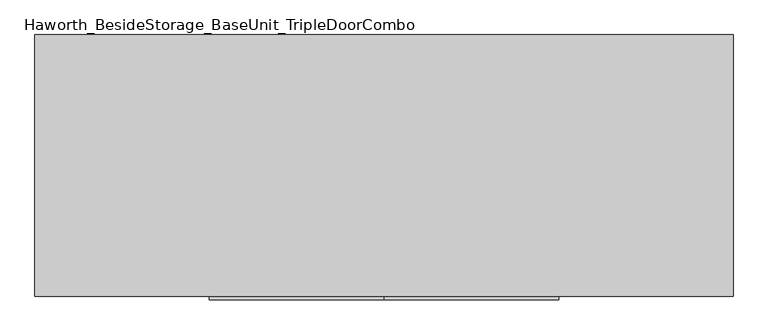
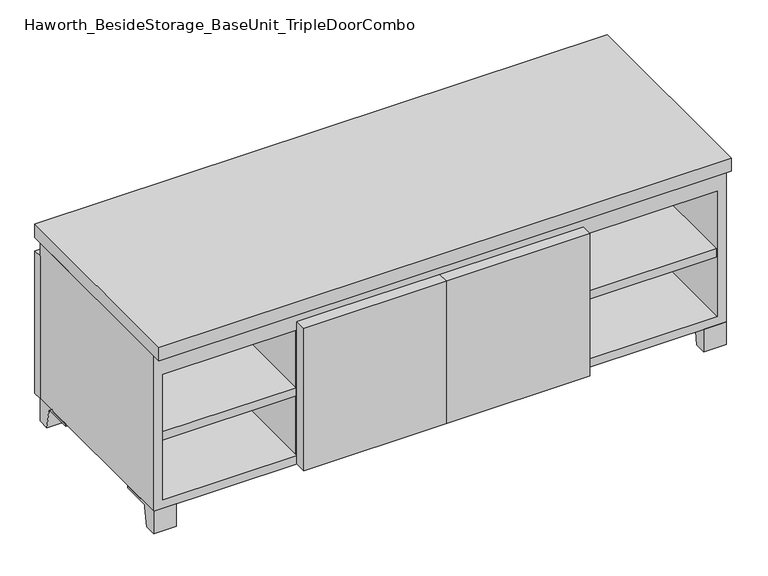
"""IFC4 building model written with IfcOpenShell, lengths in millimetres: furniture geometry, Haworth_BesideStorage_BaseUnit_TripleDoorCombo."""

from ifc_helpers import new_model, si_unit, point, frame, frame_2d, origin, place, context, project, spatial, polyline, circle_curve, trimmed, segment, composite_curve, outline, extrude, source, transform, mapped, element, save


def haworth_besidestorage_baseunit_tripledoorcombo_510d3d8d(model_context):
    return source(origin(), model_context, "Body", "SweptSolid", [
        extrude(outline(polyline([(304.8069453, 241.3), (590.5569453, 241.3), (590.5569453, -142.875), (304.8069453, -142.875), (304.8069453, 241.3)])), frame((0.0, 0.0, 201.6125), z_axis=(0.0, 0.0, 1.0), x_axis=(1.0, 0.0, 0.0)), (0.0, 0.0, 1.0), 19.05),
        extrude(outline(polyline([(-304.7791641, 241.3), (-304.7791641, -142.875), (-590.5291641, -142.875), (-590.5291641, 241.3), (-304.7791641, 241.3)])), frame((0.0, 0.0, 201.6125), z_axis=(0.0, 0.0, 1.0), x_axis=(1.0, 0.0, 0.0)), (0.0, 0.0, 1.0), 19.05),
        extrude(outline(polyline([(285.7638906, 241.3), (285.7638906, -142.875), (-285.7361094, -142.875), (-285.7361094, 241.3), (285.7638906, 241.3)])), frame((0.0, 0.0, 201.6125), z_axis=(0.0, 0.0, 1.0), x_axis=(1.0, 0.0, 0.0)), (0.0, 0.0, 1.0), 19.05),
        extrude(outline(polyline([(609.6138906, 292.1), (609.6138906, -165.1), (-609.5861094, -165.1), (-609.5861094, 292.1), (609.6138906, 292.1)])), frame((0.0, 0.0, 401.6375), z_axis=(0.0, 0.0, 1.0), x_axis=(1.0, 0.0, 0.0)), (0.0, 0.0, 1.0), 30.1625),
        extrude(outline(composite_curve([segment(polyline([(-120.6500136, 0.0), (-146.05, 0.0), (-146.05, 50.8), (-50.8, 50.8), (-50.8, 46.0213321), (-107.6005345, 46.0213321)]), True, "CONTINUOUS"), segment(trimmed(circle_curve(frame_2d((-107.6005345, 39.6713321)), 6.35), [point((-107.6005345, 46.0213321))], [point((-113.8641359, 40.7152656))], True, "CARTESIAN"), True, "CONTINUOUS"), segment(polyline([(-113.8641359, 40.7152656), (-120.6500136, 0.0)]), True, "CONTINUOUS")], self_intersect=False)), frame((561.9888906, 0.0, 0.0), z_axis=(1.0, 0.0, 0.0), x_axis=(0.0, 1.0, 0.0)), (0.0, 0.0, 1.0), 47.625),
        extrude(outline(composite_curve([segment(polyline([(247.6500136, 0.0), (240.8641359, 40.7152656)]), True, "CONTINUOUS"), segment(trimmed(circle_curve(frame_2d((234.6005345, 39.6713321)), 6.35), [point((240.8641359, 40.7152656))], [point((234.6005345, 46.0213321))], True, "CARTESIAN"), True, "CONTINUOUS"), segment(polyline([(234.6005345, 46.0213321), (177.8, 46.0213321), (177.8, 50.8), (273.05, 50.8), (273.05, 0.0), (247.6500136, 0.0)]), True, "CONTINUOUS")], self_intersect=False)), frame((561.9888906, 0.0, 0.0), z_axis=(1.0, 0.0, 0.0), x_axis=(0.0, 1.0, 0.0)), (0.0, 0.0, 1.0), 47.625),
        extrude(outline(composite_curve([segment(polyline([(-120.6500136, 0.0), (-146.05, 0.0), (-146.05, 50.8), (-50.8, 50.8), (-50.8, 46.0213321), (-107.6005345, 46.0213321)]), True, "CONTINUOUS"), segment(trimmed(circle_curve(frame_2d((-107.6005345, 39.6713321)), 6.35), [point((-107.6005345, 46.0213321))], [point((-113.8641359, 40.7152656))], True, "CARTESIAN"), True, "CONTINUOUS"), segment(polyline([(-113.8641359, 40.7152656), (-120.6500136, 0.0)]), True, "CONTINUOUS")], self_intersect=False)), frame((-609.5861094, 0.0, 0.0), z_axis=(1.0, 0.0, 0.0), x_axis=(0.0, 1.0, 0.0)), (0.0, 0.0, 1.0), 47.625),
        extrude(outline(composite_curve([segment(polyline([(247.6500136, 0.0), (240.8641359, 40.7152656)]), True, "CONTINUOUS"), segment(trimmed(circle_curve(frame_2d((234.6005345, 39.6713321)), 6.35), [point((240.8641359, 40.7152656))], [point((234.6005345, 46.0213321))], True, "CARTESIAN"), True, "CONTINUOUS"), segment(polyline([(234.6005345, 46.0213321), (177.8, 46.0213321), (177.8, 50.8), (273.05, 50.8), (273.05, 0.0), (247.6500136, 0.0)]), True, "CONTINUOUS")], self_intersect=False)), frame((-609.5861094, 0.0, 0.0), z_axis=(1.0, 0.0, 0.0), x_axis=(0.0, 1.0, 0.0)), (0.0, 0.0, 1.0), 47.625),
        extrude(outline(polyline([(0.0138906, -171.45), (0.0138906, -146.05), (304.8138906, -146.05), (304.8138906, -171.45), (0.0138906, -171.45)])), frame((0.0, 0.0, 50.8), z_axis=(0.0, 0.0, 1.0), x_axis=(1.0, 0.0, 0.0)), (0.0, 0.0, 1.0), 320.675),
        extrude(outline(polyline([(0.0138906, -171.45), (-304.7861094, -171.45), (-304.7861094, -146.05), (0.0138906, -146.05), (0.0138906, -171.45)])), frame((0.0, 0.0, 50.8), z_axis=(0.0, 0.0, 1.0), x_axis=(1.0, 0.0, 0.0)), (0.0, 0.0, 1.0), 320.675),
        extrude(outline(polyline([(-584.1791641, -120.65), (-584.1791641, 247.65), (-568.3041641, 247.65), (-568.3041641, 73.025), (-7.9236094, 73.025), (-7.9236094, 247.65), (7.9513906, 247.65), (7.9513906, 73.025), (568.3111094, 73.025), (568.3111094, 247.65), (584.1861094, 247.65), (584.1861094, -120.65), (568.3111094, -120.65), (568.3111094, 53.975), (7.9513906, 53.975), (7.9513906, -120.65), (-7.9236094, -120.65), (-7.9236094, 53.975), (-568.3041641, 53.975), (-568.3041641, -120.65), (-584.1791641, -120.65)])), frame((0.0, 0.0, 371.475), z_axis=(0.0, 0.0, 1.0), x_axis=(1.0, 0.0, 0.0)), (0.0, 0.0, 1.0), 30.1625),
        extrude(outline(polyline([(304.8138906, 241.3), (304.8138906, -142.875), (285.7638906, -142.875), (285.7638906, 241.3), (304.8138906, 241.3)])), frame((0.0, 0.0, 69.85), z_axis=(0.0, 0.0, 1.0), x_axis=(1.0, 0.0, 0.0)), (0.0, 0.0, 1.0), 282.575),
        extrude(outline(polyline([(-285.7361094, 241.3), (-285.7361094, -142.875), (-304.7861094, -142.875), (-304.7861094, 241.3), (-285.7361094, 241.3)])), frame((0.0, 0.0, 69.85), z_axis=(0.0, 0.0, 1.0), x_axis=(1.0, 0.0, 0.0)), (0.0, 0.0, 1.0), 282.575),
        extrude(outline(polyline([(609.6138906, 273.05), (-609.5861094, 273.05), (-609.5861094, 292.1), (609.6138906, 292.1), (609.6138906, 273.05)])), frame((0.0, 0.0, 50.8), z_axis=(0.0, 0.0, 1.0), x_axis=(1.0, 0.0, 0.0)), (0.0, 0.0, 1.0), 320.675),
        extrude(outline(polyline([(50.8, -609.5861094), (50.8, 609.6138906), (401.6375, 609.6138906), (401.6375, -609.5861094), (50.8, -609.5861094)]), holes=[polyline([(69.85, -590.5361094), (352.425, -590.5361094), (352.425, 590.5569453), (69.85, 590.5569453), (69.85, -590.5361094)])]), frame((0.0, -146.05, 0.0), z_axis=(0.0, 1.0, 0.0), x_axis=(0.0, 0.0, 1.0)), (0.0, 0.0, 1.0), 419.1),
        extrude(outline(polyline([(-590.5291641, 241.3), (-590.5291641, 247.65), (590.5569453, 247.65), (590.5569453, 241.3), (-590.5291641, 241.3)])), frame((0.0, 0.0, 69.85), z_axis=(0.0, 0.0, 1.0), x_axis=(1.0, 0.0, 0.0)), (0.0, 0.0, 1.0), 282.575),
    ])


if __name__ == "__main__":
    model = new_model("IFC4")
    model_context = context("Model", 3, world=origin())
    ifc_project = project(units=[si_unit("LENGTHUNIT", "METRE", prefix="MILLI")], contexts=[model_context])
    site = spatial("IfcSite", under=ifc_project)
    building = spatial("IfcBuilding", under=site)
    placement = place(None, origin())
    haworth_besidestorage_baseunit_tripledoorcombo_shape = haworth_besidestorage_baseunit_tripledoorcombo_510d3d8d(model_context)
    element("IfcFurniture", 1, ObjectType="Haworth_BesideStorage_BaseUnit_TripleDoorCombo", at=placement, inside=building, context=model_context, shape_type="MappedRepresentation", body=[
        mapped(haworth_besidestorage_baseunit_tripledoorcombo_shape, transform((0.0, 0.0, 0.0), x_axis=(1.0, 0.0, 0.0), y_axis=(0.0, 1.0, 0.0), z_axis=(0.0, 0.0, 1.0))),
    ])
    save(model, "model.ifc")
